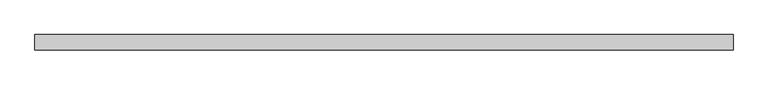
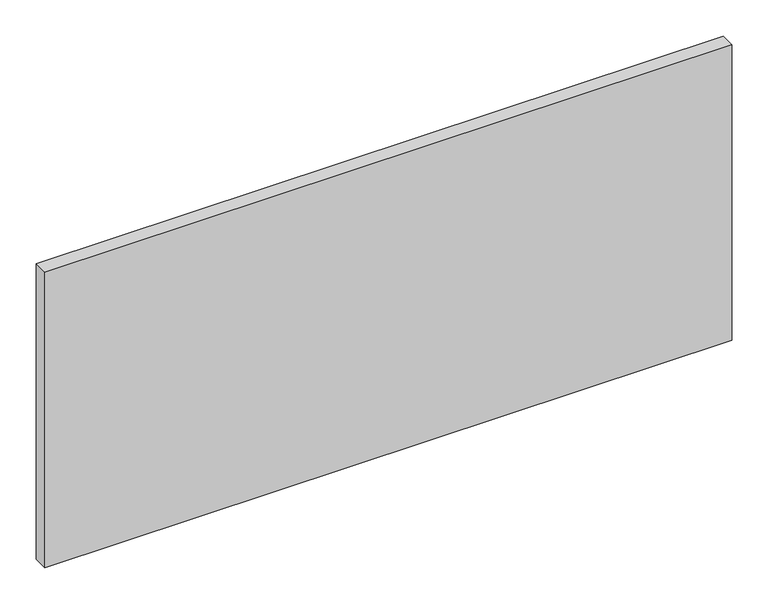
"""IFC4 building model written with IfcOpenShell, lengths in millimetres: plate geometry."""

import ifcopenshell
import ifcopenshell.guid

model = None  # the IFC model being written
_history = None  # IfcOwnerHistory: only IFC2X3 demands one
_inside = {}  # id of a spatial element -> (the spatial element, [elements in it])
_under = {}  # id of a project, library or spatial element -> (it, [spatial elements below it])
_declared = {}  # id of a project -> (the project, [libraries it declares])
_typed = {}  # id of a type object -> (the type object, [elements of that type])
_made_of = {}  # id of a material, layer set ... -> (it, [elements and type objects made of it])


def new_model(schema):
    """Start an empty IFC model of exactly this schema.

    Asked for "IFC4X3", IfcOpenShell would pick the latest addendum, in which some entities
    have other attributes; the version numbers below select the first issue.
    IFC2X3 requires an IfcOwnerHistory on every rooted entity: one is made here for all.
    """
    global model, _history
    if schema == "IFC4X3":
        model = ifcopenshell.file(schema_version=(4, 3, 0, 0))
    else:
        model = ifcopenshell.file(schema=schema)
    _inside.clear()
    _under.clear()
    _declared.clear()
    _typed.clear()
    _made_of.clear()
    _history = None
    if model.schema == "IFC2X3":
        org = make("IfcOrganization", Name="unknown")
        user = make(
            "IfcPersonAndOrganization",
            ThePerson=make("IfcPerson", FamilyName="unknown"),
            TheOrganization=org,
        )
        app = make(
            "IfcApplication",
            ApplicationDeveloper=org,
            Version="unknown",
            ApplicationFullName="unknown",
            ApplicationIdentifier="unknown",
        )
        _history = make(
            "IfcOwnerHistory",
            OwningUser=user,
            OwningApplication=app,
            ChangeAction="ADDED",
            CreationDate=0,
        )
    return model


def make(cls, **values):
    """One entity of the class cls with the attributes given. An attribute that is None is left unset."""
    return model.create_entity(
        cls, **{name: value for name, value in values.items() if value is not None}
    )


def rooted(cls, **values):
    """An entity with a GlobalId (a new one), such as an element, a storey or a relation."""
    return make(cls, GlobalId=ifcopenshell.guid.new(), OwnerHistory=_history, **values)


def si_unit(unit_type, name, prefix=None):
    """IfcSIUnit, for example si_unit("LENGTHUNIT", "METRE", prefix="MILLI")."""
    return make("IfcSIUnit", UnitType=unit_type, Prefix=prefix, Name=name)


def assignment(units):
    """IfcUnitAssignment: the units of a project."""
    return None if units is None else make("IfcUnitAssignment", Units=units)


def point(xyz):
    """IfcCartesianPoint."""
    return None if xyz is None else make("IfcCartesianPoint", Coordinates=xyz)


def direction(xyz):
    """IfcDirection."""
    return None if xyz is None else make("IfcDirection", DirectionRatios=xyz)


def frame(location, z_axis=None, x_axis=None):
    """IfcAxis2Placement3D, a coordinate frame: its origin and axes. An axis left out is left unset."""
    return make(
        "IfcAxis2Placement3D",
        Location=point(location),
        Axis=direction(z_axis),
        RefDirection=direction(x_axis),
    )


def origin():
    """The frame at (0, 0, 0) with its axes left unset."""
    return frame((0.0, 0.0, 0.0))


def origin_with_axes():
    """The frame at (0, 0, 0) with the z axis (0, 0, 1) and the x axis (1, 0, 0) written out."""
    return frame((0.0, 0.0, 0.0), z_axis=(0.0, 0.0, 1.0), x_axis=(1.0, 0.0, 0.0))


def place(relative_to, where):
    """IfcLocalPlacement: puts the frame where relative to a parent placement (None: the world)."""
    return make(
        "IfcLocalPlacement", PlacementRelTo=relative_to, RelativePlacement=where
    )


def context(
    kind, dimensions, precision=None, world=None, true_north=None, identifier=None
):
    """IfcGeometricRepresentationContext, for example the 3D "Model" context."""
    return make(
        "IfcGeometricRepresentationContext",
        ContextIdentifier=identifier,
        ContextType=kind,
        CoordinateSpaceDimension=dimensions,
        Precision=precision,
        WorldCoordinateSystem=world,
        TrueNorth=true_north,
    )


def project(units=None, contexts=None):
    """IfcProject with its units and contexts."""
    return rooted(
        "IfcProject",
        Name="project",
        RepresentationContexts=contexts,
        UnitsInContext=assignment(units),
    )


def spatial(cls, under=None, at=None, **own):
    """A site, building, storey or space (cls), placed at a placement, below another one or the project."""
    s = rooted(cls, ObjectPlacement=at, **own)
    if under is not None:
        _under.setdefault(under.id(), (under, []))[1].append(s)
    return s


def polyline(points):
    """IfcPolyline through the points."""
    return make("IfcPolyline", Points=[point(p) for p in points])


def outline(outer, holes=None, kind="AREA"):
    """IfcArbitraryClosedProfileDef: a profile drawn as a closed curve; with holes, ...WithVoids."""
    if holes is None:
        return make("IfcArbitraryClosedProfileDef", ProfileType=kind, OuterCurve=outer)
    return make(
        "IfcArbitraryProfileDefWithVoids",
        ProfileType=kind,
        OuterCurve=outer,
        InnerCurves=holes,
    )


def extrude(swept, where, along, depth):
    """IfcExtrudedAreaSolid: the profile swept, set in the frame where, extruded along a direction by depth."""
    return make(
        "IfcExtrudedAreaSolid",
        SweptArea=swept,
        Position=where,
        ExtrudedDirection=direction(along),
        Depth=depth,
    )


def shape(context_of_items, identifier, shape_type, items):
    """IfcShapeRepresentation: the items that make up one representation, for example the "Body"."""
    return make(
        "IfcShapeRepresentation",
        ContextOfItems=context_of_items,
        RepresentationIdentifier=identifier,
        RepresentationType=shape_type,
        Items=items,
    )


def source(mapping_origin, context_of_items, identifier, shape_type, items):
    """IfcRepresentationMap: a shape defined once, which mapped items show again and again."""
    return make(
        "IfcRepresentationMap",
        MappingOrigin=mapping_origin,
        MappedRepresentation=shape(context_of_items, identifier, shape_type, items),
    )


def transform(
    local_origin,
    x_axis=None,
    y_axis=None,
    z_axis=None,
    scale=None,
    scale2=None,
    scale3=None,
    uniform=True,
):
    """IfcCartesianTransformationOperator3D, or its non-uniform kind. x_axis, y_axis, z_axis: its Axis1, 2, 3."""
    if uniform:
        return make(
            "IfcCartesianTransformationOperator3D",
            Axis1=direction(x_axis),
            Axis2=direction(y_axis),
            LocalOrigin=point(local_origin),
            Scale=scale,
            Axis3=direction(z_axis),
        )
    return make(
        "IfcCartesianTransformationOperator3DnonUniform",
        Axis1=direction(x_axis),
        Axis2=direction(y_axis),
        LocalOrigin=point(local_origin),
        Scale=scale,
        Axis3=direction(z_axis),
        Scale2=scale2,
        Scale3=scale3,
    )


def mapped(mapping_source, mapping_target):
    """IfcMappedItem: shows the shape of a source again, moved by a transform."""
    return make(
        "IfcMappedItem", MappingSource=mapping_source, MappingTarget=mapping_target
    )


def made_of(thing, what):
    """Note that an element or type object is made of a material, layer set ...; save() writes the relation."""
    if what is not None:
        _made_of.setdefault(what.id(), (what, []))[1].append(thing)
    return thing


def element(
    cls,
    number,
    at=None,
    inside=None,
    cuts=None,
    type_object=None,
    material=None,
    context=None,
    identifier="Body",
    shape_type=None,
    held_by="IfcProductDefinitionShape",
    body=None,
    shapes=None,
    **own,
):
    """One element of the class cls, such as IfcWall. Its Tag is "e" and its number.

    at: its placement. inside: the storey or other place that contains it. cuts: it is an
    opening in that element (IfcRelVoidsElement). A single representation is given by context,
    identifier, shape_type and body (its items); several are given by shapes. held_by: the class
    of the entity that holds the representations. save() writes the other relations.
    """
    e = rooted(cls, Tag="e%d" % number, ObjectPlacement=at, **own)
    if body is not None:
        shapes = [shape(context, identifier, shape_type, body)]
    if shapes is not None:
        e.Representation = make(held_by, Representations=shapes)
    if inside is not None:
        _inside.setdefault(inside.id(), (inside, []))[1].append(e)
    if cuts is not None:
        rooted(
            "IfcRelVoidsElement", RelatingBuildingElement=cuts, RelatedOpeningElement=e
        )
    if type_object is not None:
        _typed.setdefault(type_object.id(), (type_object, []))[1].append(e)
    return made_of(e, material)


def aggregate(whole, parts):
    """IfcRelAggregates: a whole, such as a stair, and the parts it consists of."""
    return rooted("IfcRelAggregates", RelatingObject=whole, RelatedObjects=parts)


def save(model, path):
    """Write the relations noted so far, then the file.

    IfcRelAggregates (storeys below a building ...), IfcRelContainedInSpatialStructure (elements
    in a storey), IfcRelDefinesByType, IfcRelAssociatesMaterial and IfcRelDeclares: one each for
    every whole, place, type object, material and project.
    """
    for whole, parts in _under.values():
        aggregate(whole, parts)
    for where, things in _inside.values():
        rooted(
            "IfcRelContainedInSpatialStructure",
            RelatedElements=things,
            RelatingStructure=where,
        )
    for kind, things in _typed.values():
        rooted("IfcRelDefinesByType", RelatedObjects=things, RelatingType=kind)
    for what, things in _made_of.values():
        rooted("IfcRelAssociatesMaterial", RelatedObjects=things, RelatingMaterial=what)
    for by, libraries in _declared.values():
        rooted("IfcRelDeclares", RelatingContext=by, RelatedDefinitions=libraries)
    model.write(path)


def plate_19676ab9(model_context):
    return source(origin(), model_context, "Body", "SweptSolid", [
        extrude(outline(polyline([(549.9999998, -24.0), (-549.9999998, -24.0), (-549.9999998, 0.0), (549.9999998, 0.0), (549.9999998, -24.0)])), origin_with_axes(), (0.0, 0.0, 1.0), 500.0),
    ])


if __name__ == "__main__":
    model = new_model("IFC4")
    model_context = context("Model", 3, world=origin())
    ifc_project = project(units=[si_unit("LENGTHUNIT", "METRE", prefix="MILLI")], contexts=[model_context])
    site = spatial("IfcSite", under=ifc_project)
    building = spatial("IfcBuilding", under=site)
    placement = place(None, origin())
    plate_shape = plate_19676ab9(model_context)
    element("IfcPlate", 1, at=placement, inside=building, context=model_context, shape_type="MappedRepresentation", body=[
        mapped(plate_shape, transform((0.0, 0.0, 0.0), x_axis=(1.0, 0.0, 0.0), y_axis=(0.0, 1.0, 0.0), z_axis=(0.0, 0.0, 1.0))),
    ])
    save(model, "model.ifc")
